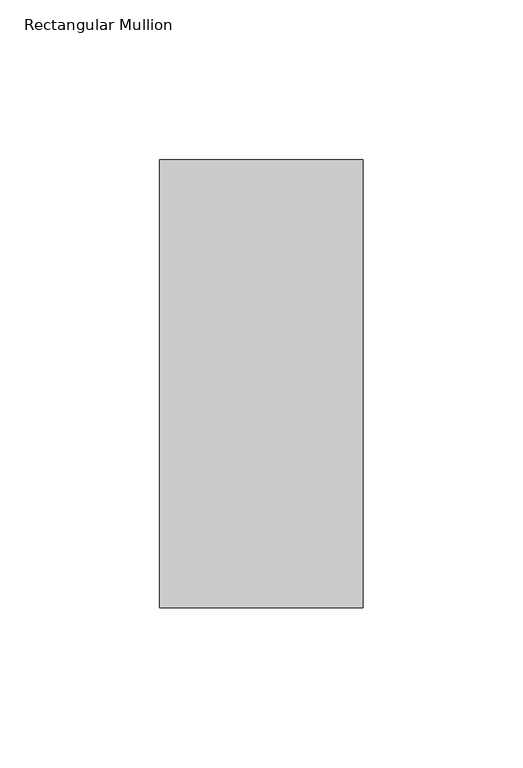
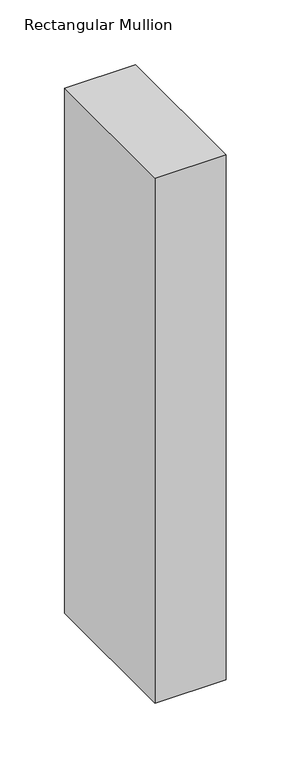
"""IFC4 building model written with IfcOpenShell, lengths in millimetres: member geometry, Rectangular Mullion."""

import ifcopenshell
import ifcopenshell.guid

model = None  # the IFC model being written
_history = None  # IfcOwnerHistory: only IFC2X3 demands one
_inside = {}  # id of a spatial element -> (the spatial element, [elements in it])
_under = {}  # id of a project, library or spatial element -> (it, [spatial elements below it])
_declared = {}  # id of a project -> (the project, [libraries it declares])
_typed = {}  # id of a type object -> (the type object, [elements of that type])
_made_of = {}  # id of a material, layer set ... -> (it, [elements and type objects made of it])


def new_model(schema):
    """Start an empty IFC model of exactly this schema.

    Asked for "IFC4X3", IfcOpenShell would pick the latest addendum, in which some entities
    have other attributes; the version numbers below select the first issue.
    IFC2X3 requires an IfcOwnerHistory on every rooted entity: one is made here for all.
    """
    global model, _history
    if schema == "IFC4X3":
        model = ifcopenshell.file(schema_version=(4, 3, 0, 0))
    else:
        model = ifcopenshell.file(schema=schema)
    _inside.clear()
    _under.clear()
    _declared.clear()
    _typed.clear()
    _made_of.clear()
    _history = None
    if model.schema == "IFC2X3":
        org = make("IfcOrganization", Name="unknown")
        user = make(
            "IfcPersonAndOrganization",
            ThePerson=make("IfcPerson", FamilyName="unknown"),
            TheOrganization=org,
        )
        app = make(
            "IfcApplication",
            ApplicationDeveloper=org,
            Version="unknown",
            ApplicationFullName="unknown",
            ApplicationIdentifier="unknown",
        )
        _history = make(
            "IfcOwnerHistory",
            OwningUser=user,
            OwningApplication=app,
            ChangeAction="ADDED",
            CreationDate=0,
        )
    return model


def make(cls, **values):
    """One entity of the class cls with the attributes given. An attribute that is None is left unset."""
    return model.create_entity(
        cls, **{name: value for name, value in values.items() if value is not None}
    )


def rooted(cls, **values):
    """An entity with a GlobalId (a new one), such as an element, a storey or a relation."""
    return make(cls, GlobalId=ifcopenshell.guid.new(), OwnerHistory=_history, **values)


def si_unit(unit_type, name, prefix=None):
    """IfcSIUnit, for example si_unit("LENGTHUNIT", "METRE", prefix="MILLI")."""
    return make("IfcSIUnit", UnitType=unit_type, Prefix=prefix, Name=name)


def assignment(units):
    """IfcUnitAssignment: the units of a project."""
    return None if units is None else make("IfcUnitAssignment", Units=units)


def point(xyz):
    """IfcCartesianPoint."""
    return None if xyz is None else make("IfcCartesianPoint", Coordinates=xyz)


def direction(xyz):
    """IfcDirection."""
    return None if xyz is None else make("IfcDirection", DirectionRatios=xyz)


def frame(location, z_axis=None, x_axis=None):
    """IfcAxis2Placement3D, a coordinate frame: its origin and axes. An axis left out is left unset."""
    return make(
        "IfcAxis2Placement3D",
        Location=point(location),
        Axis=direction(z_axis),
        RefDirection=direction(x_axis),
    )


def origin():
    """The frame at (0, 0, 0) with its axes left unset."""
    return frame((0.0, 0.0, 0.0))


def place(relative_to, where):
    """IfcLocalPlacement: puts the frame where relative to a parent placement (None: the world)."""
    return make(
        "IfcLocalPlacement", PlacementRelTo=relative_to, RelativePlacement=where
    )


def context(
    kind, dimensions, precision=None, world=None, true_north=None, identifier=None
):
    """IfcGeometricRepresentationContext, for example the 3D "Model" context."""
    return make(
        "IfcGeometricRepresentationContext",
        ContextIdentifier=identifier,
        ContextType=kind,
        CoordinateSpaceDimension=dimensions,
        Precision=precision,
        WorldCoordinateSystem=world,
        TrueNorth=true_north,
    )


def project(units=None, contexts=None):
    """IfcProject with its units and contexts."""
    return rooted(
        "IfcProject",
        Name="project",
        RepresentationContexts=contexts,
        UnitsInContext=assignment(units),
    )


def spatial(cls, under=None, at=None, **own):
    """A site, building, storey or space (cls), placed at a placement, below another one or the project."""
    s = rooted(cls, ObjectPlacement=at, **own)
    if under is not None:
        _under.setdefault(under.id(), (under, []))[1].append(s)
    return s


def polyline(points):
    """IfcPolyline through the points."""
    return make("IfcPolyline", Points=[point(p) for p in points])


def outline(outer, holes=None, kind="AREA"):
    """IfcArbitraryClosedProfileDef: a profile drawn as a closed curve; with holes, ...WithVoids."""
    if holes is None:
        return make("IfcArbitraryClosedProfileDef", ProfileType=kind, OuterCurve=outer)
    return make(
        "IfcArbitraryProfileDefWithVoids",
        ProfileType=kind,
        OuterCurve=outer,
        InnerCurves=holes,
    )


def extrude(swept, where, along, depth):
    """IfcExtrudedAreaSolid: the profile swept, set in the frame where, extruded along a direction by depth."""
    return make(
        "IfcExtrudedAreaSolid",
        SweptArea=swept,
        Position=where,
        ExtrudedDirection=direction(along),
        Depth=depth,
    )


def shape(context_of_items, identifier, shape_type, items):
    """IfcShapeRepresentation: the items that make up one representation, for example the "Body"."""
    return make(
        "IfcShapeRepresentation",
        ContextOfItems=context_of_items,
        RepresentationIdentifier=identifier,
        RepresentationType=shape_type,
        Items=items,
    )


def source(mapping_origin, context_of_items, identifier, shape_type, items):
    """IfcRepresentationMap: a shape defined once, which mapped items show again and again."""
    return make(
        "IfcRepresentationMap",
        MappingOrigin=mapping_origin,
        MappedRepresentation=shape(context_of_items, identifier, shape_type, items),
    )


def transform(
    local_origin,
    x_axis=None,
    y_axis=None,
    z_axis=None,
    scale=None,
    scale2=None,
    scale3=None,
    uniform=True,
):
    """IfcCartesianTransformationOperator3D, or its non-uniform kind. x_axis, y_axis, z_axis: its Axis1, 2, 3."""
    if uniform:
        return make(
            "IfcCartesianTransformationOperator3D",
            Axis1=direction(x_axis),
            Axis2=direction(y_axis),
            LocalOrigin=point(local_origin),
            Scale=scale,
            Axis3=direction(z_axis),
        )
    return make(
        "IfcCartesianTransformationOperator3DnonUniform",
        Axis1=direction(x_axis),
        Axis2=direction(y_axis),
        LocalOrigin=point(local_origin),
        Scale=scale,
        Axis3=direction(z_axis),
        Scale2=scale2,
        Scale3=scale3,
    )


def mapped(mapping_source, mapping_target):
    """IfcMappedItem: shows the shape of a source again, moved by a transform."""
    return make(
        "IfcMappedItem", MappingSource=mapping_source, MappingTarget=mapping_target
    )


def made_of(thing, what):
    """Note that an element or type object is made of a material, layer set ...; save() writes the relation."""
    if what is not None:
        _made_of.setdefault(what.id(), (what, []))[1].append(thing)
    return thing


def element(
    cls,
    number,
    at=None,
    inside=None,
    cuts=None,
    type_object=None,
    material=None,
    context=None,
    identifier="Body",
    shape_type=None,
    held_by="IfcProductDefinitionShape",
    body=None,
    shapes=None,
    **own,
):
    """One element of the class cls, such as IfcWall. Its Tag is "e" and its number.

    at: its placement. inside: the storey or other place that contains it. cuts: it is an
    opening in that element (IfcRelVoidsElement). A single representation is given by context,
    identifier, shape_type and body (its items); several are given by shapes. held_by: the class
    of the entity that holds the representations. save() writes the other relations.
    """
    e = rooted(cls, Tag="e%d" % number, ObjectPlacement=at, **own)
    if body is not None:
        shapes = [shape(context, identifier, shape_type, body)]
    if shapes is not None:
        e.Representation = make(held_by, Representations=shapes)
    if inside is not None:
        _inside.setdefault(inside.id(), (inside, []))[1].append(e)
    if cuts is not None:
        rooted(
            "IfcRelVoidsElement", RelatingBuildingElement=cuts, RelatedOpeningElement=e
        )
    if type_object is not None:
        _typed.setdefault(type_object.id(), (type_object, []))[1].append(e)
    return made_of(e, material)


def aggregate(whole, parts):
    """IfcRelAggregates: a whole, such as a stair, and the parts it consists of."""
    return rooted("IfcRelAggregates", RelatingObject=whole, RelatedObjects=parts)


def save(model, path):
    """Write the relations noted so far, then the file.

    IfcRelAggregates (storeys below a building ...), IfcRelContainedInSpatialStructure (elements
    in a storey), IfcRelDefinesByType, IfcRelAssociatesMaterial and IfcRelDeclares: one each for
    every whole, place, type object, material and project.
    """
    for whole, parts in _under.values():
        aggregate(whole, parts)
    for where, things in _inside.values():
        rooted(
            "IfcRelContainedInSpatialStructure",
            RelatedElements=things,
            RelatingStructure=where,
        )
    for kind, things in _typed.values():
        rooted("IfcRelDefinesByType", RelatedObjects=things, RelatingType=kind)
    for what, things in _made_of.values():
        rooted("IfcRelAssociatesMaterial", RelatedObjects=things, RelatingMaterial=what)
    for by, libraries in _declared.values():
        rooted("IfcRelDeclares", RelatingContext=by, RelatedDefinitions=libraries)
    model.write(path)


def rectangular_mullion_7975de00(model_context):
    return source(origin(), model_context, "Body", "SweptSolid", [
        extrude(outline(polyline([(0.0, 190.7881317), (0.0, 50.8202784), (-63.5, 50.8202784), (-63.5, 190.7881317), (0.0, 190.7881317)])), frame((0.0, 0.0, -495.6218524), z_axis=(0.0, 0.0, 1.0), x_axis=(1.0, 0.0, 0.0)), (0.0, 0.0, 1.0), 495.6218524),
    ])


if __name__ == "__main__":
    model = new_model("IFC4")
    model_context = context("Model", 3, world=origin())
    ifc_project = project(units=[si_unit("LENGTHUNIT", "METRE", prefix="MILLI")], contexts=[model_context])
    site = spatial("IfcSite", under=ifc_project)
    building = spatial("IfcBuilding", under=site)
    placement = place(None, origin())
    rectangular_mullion_shape = rectangular_mullion_7975de00(model_context)
    element("IfcMember", 1, ObjectType="Rectangular Mullion", at=placement, inside=building, context=model_context, shape_type="MappedRepresentation", body=[
        mapped(rectangular_mullion_shape, transform((0.0, 0.0, 0.0), x_axis=(1.0, 0.0, 0.0), y_axis=(0.0, 1.0, 0.0), z_axis=(0.0, 0.0, 1.0))),
    ])
    save(model, "model.ifc")
